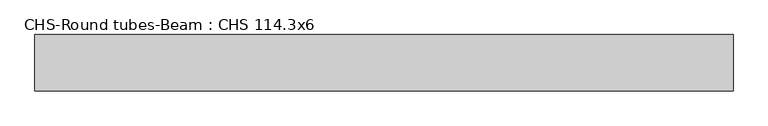
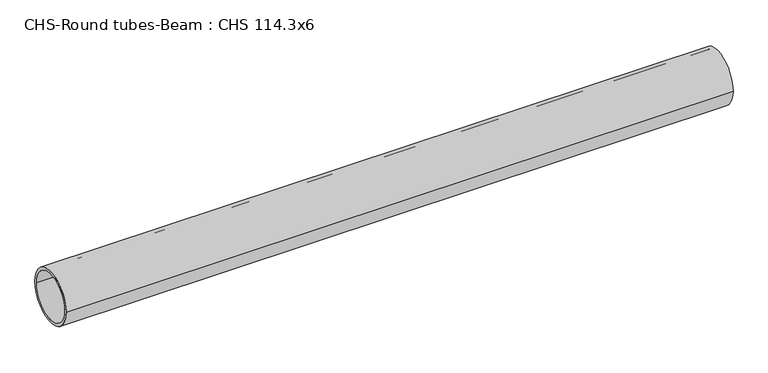
"""IFC4 building model written with IfcOpenShell, lengths in millimetres: beam geometry, CHS-Round tubes-Beam : CHS 114.3x6."""

import ifcopenshell
import ifcopenshell.guid

model = None  # the IFC model being written
_history = None  # IfcOwnerHistory: only IFC2X3 demands one
_inside = {}  # id of a spatial element -> (the spatial element, [elements in it])
_under = {}  # id of a project, library or spatial element -> (it, [spatial elements below it])
_declared = {}  # id of a project -> (the project, [libraries it declares])
_typed = {}  # id of a type object -> (the type object, [elements of that type])
_made_of = {}  # id of a material, layer set ... -> (it, [elements and type objects made of it])


def new_model(schema):
    """Start an empty IFC model of exactly this schema.

    Asked for "IFC4X3", IfcOpenShell would pick the latest addendum, in which some entities
    have other attributes; the version numbers below select the first issue.
    IFC2X3 requires an IfcOwnerHistory on every rooted entity: one is made here for all.
    """
    global model, _history
    if schema == "IFC4X3":
        model = ifcopenshell.file(schema_version=(4, 3, 0, 0))
    else:
        model = ifcopenshell.file(schema=schema)
    _inside.clear()
    _under.clear()
    _declared.clear()
    _typed.clear()
    _made_of.clear()
    _history = None
    if model.schema == "IFC2X3":
        org = make("IfcOrganization", Name="unknown")
        user = make(
            "IfcPersonAndOrganization",
            ThePerson=make("IfcPerson", FamilyName="unknown"),
            TheOrganization=org,
        )
        app = make(
            "IfcApplication",
            ApplicationDeveloper=org,
            Version="unknown",
            ApplicationFullName="unknown",
            ApplicationIdentifier="unknown",
        )
        _history = make(
            "IfcOwnerHistory",
            OwningUser=user,
            OwningApplication=app,
            ChangeAction="ADDED",
            CreationDate=0,
        )
    return model


def make(cls, **values):
    """One entity of the class cls with the attributes given. An attribute that is None is left unset."""
    return model.create_entity(
        cls, **{name: value for name, value in values.items() if value is not None}
    )


def rooted(cls, **values):
    """An entity with a GlobalId (a new one), such as an element, a storey or a relation."""
    return make(cls, GlobalId=ifcopenshell.guid.new(), OwnerHistory=_history, **values)


def si_unit(unit_type, name, prefix=None):
    """IfcSIUnit, for example si_unit("LENGTHUNIT", "METRE", prefix="MILLI")."""
    return make("IfcSIUnit", UnitType=unit_type, Prefix=prefix, Name=name)


def assignment(units):
    """IfcUnitAssignment: the units of a project."""
    return None if units is None else make("IfcUnitAssignment", Units=units)


def point(xyz):
    """IfcCartesianPoint."""
    return None if xyz is None else make("IfcCartesianPoint", Coordinates=xyz)


def direction(xyz):
    """IfcDirection."""
    return None if xyz is None else make("IfcDirection", DirectionRatios=xyz)


def frame(location, z_axis=None, x_axis=None):
    """IfcAxis2Placement3D, a coordinate frame: its origin and axes. An axis left out is left unset."""
    return make(
        "IfcAxis2Placement3D",
        Location=point(location),
        Axis=direction(z_axis),
        RefDirection=direction(x_axis),
    )


def frame_2d(location, x_axis=None):
    """IfcAxis2Placement2D, a coordinate frame in the plane: its origin and x axis."""
    return make(
        "IfcAxis2Placement2D", Location=point(location), RefDirection=direction(x_axis)
    )


def origin():
    """The frame at (0, 0, 0) with its axes left unset."""
    return frame((0.0, 0.0, 0.0))


def origin_2d():
    """The frame at (0, 0) in the plane with its x axis left unset."""
    return frame_2d((0.0, 0.0))


def place(relative_to, where):
    """IfcLocalPlacement: puts the frame where relative to a parent placement (None: the world)."""
    return make(
        "IfcLocalPlacement", PlacementRelTo=relative_to, RelativePlacement=where
    )


def context(
    kind, dimensions, precision=None, world=None, true_north=None, identifier=None
):
    """IfcGeometricRepresentationContext, for example the 3D "Model" context."""
    return make(
        "IfcGeometricRepresentationContext",
        ContextIdentifier=identifier,
        ContextType=kind,
        CoordinateSpaceDimension=dimensions,
        Precision=precision,
        WorldCoordinateSystem=world,
        TrueNorth=true_north,
    )


def project(units=None, contexts=None):
    """IfcProject with its units and contexts."""
    return rooted(
        "IfcProject",
        Name="project",
        RepresentationContexts=contexts,
        UnitsInContext=assignment(units),
    )


def spatial(cls, under=None, at=None, **own):
    """A site, building, storey or space (cls), placed at a placement, below another one or the project."""
    s = rooted(cls, ObjectPlacement=at, **own)
    if under is not None:
        _under.setdefault(under.id(), (under, []))[1].append(s)
    return s


def circle_curve(where, radius):
    """IfcCircle in the frame where."""
    return make("IfcCircle", Position=where, Radius=radius)


def trimmed(basis, trim1, trim2, sense, master):
    """IfcTrimmedCurve: the piece of a basis curve between two trims."""
    return make(
        "IfcTrimmedCurve",
        BasisCurve=basis,
        Trim1=trim1,
        Trim2=trim2,
        SenseAgreement=sense,
        MasterRepresentation=master,
    )


def segment(curve, same_sense, transition):
    """IfcCompositeCurveSegment."""
    return make(
        "IfcCompositeCurveSegment",
        Transition=transition,
        SameSense=same_sense,
        ParentCurve=curve,
    )


def composite_curve(segments, self_intersect=None):
    """IfcCompositeCurve: segments joined end to end."""
    return make("IfcCompositeCurve", Segments=segments, SelfIntersect=self_intersect)


def outline(outer, holes=None, kind="AREA"):
    """IfcArbitraryClosedProfileDef: a profile drawn as a closed curve; with holes, ...WithVoids."""
    if holes is None:
        return make("IfcArbitraryClosedProfileDef", ProfileType=kind, OuterCurve=outer)
    return make(
        "IfcArbitraryProfileDefWithVoids",
        ProfileType=kind,
        OuterCurve=outer,
        InnerCurves=holes,
    )


def extrude(swept, where, along, depth):
    """IfcExtrudedAreaSolid: the profile swept, set in the frame where, extruded along a direction by depth."""
    return make(
        "IfcExtrudedAreaSolid",
        SweptArea=swept,
        Position=where,
        ExtrudedDirection=direction(along),
        Depth=depth,
    )


def shape(context_of_items, identifier, shape_type, items):
    """IfcShapeRepresentation: the items that make up one representation, for example the "Body"."""
    return make(
        "IfcShapeRepresentation",
        ContextOfItems=context_of_items,
        RepresentationIdentifier=identifier,
        RepresentationType=shape_type,
        Items=items,
    )


def source(mapping_origin, context_of_items, identifier, shape_type, items):
    """IfcRepresentationMap: a shape defined once, which mapped items show again and again."""
    return make(
        "IfcRepresentationMap",
        MappingOrigin=mapping_origin,
        MappedRepresentation=shape(context_of_items, identifier, shape_type, items),
    )


def transform(
    local_origin,
    x_axis=None,
    y_axis=None,
    z_axis=None,
    scale=None,
    scale2=None,
    scale3=None,
    uniform=True,
):
    """IfcCartesianTransformationOperator3D, or its non-uniform kind. x_axis, y_axis, z_axis: its Axis1, 2, 3."""
    if uniform:
        return make(
            "IfcCartesianTransformationOperator3D",
            Axis1=direction(x_axis),
            Axis2=direction(y_axis),
            LocalOrigin=point(local_origin),
            Scale=scale,
            Axis3=direction(z_axis),
        )
    return make(
        "IfcCartesianTransformationOperator3DnonUniform",
        Axis1=direction(x_axis),
        Axis2=direction(y_axis),
        LocalOrigin=point(local_origin),
        Scale=scale,
        Axis3=direction(z_axis),
        Scale2=scale2,
        Scale3=scale3,
    )


def mapped(mapping_source, mapping_target):
    """IfcMappedItem: shows the shape of a source again, moved by a transform."""
    return make(
        "IfcMappedItem", MappingSource=mapping_source, MappingTarget=mapping_target
    )


def made_of(thing, what):
    """Note that an element or type object is made of a material, layer set ...; save() writes the relation."""
    if what is not None:
        _made_of.setdefault(what.id(), (what, []))[1].append(thing)
    return thing


def element(
    cls,
    number,
    at=None,
    inside=None,
    cuts=None,
    type_object=None,
    material=None,
    context=None,
    identifier="Body",
    shape_type=None,
    held_by="IfcProductDefinitionShape",
    body=None,
    shapes=None,
    **own,
):
    """One element of the class cls, such as IfcWall. Its Tag is "e" and its number.

    at: its placement. inside: the storey or other place that contains it. cuts: it is an
    opening in that element (IfcRelVoidsElement). A single representation is given by context,
    identifier, shape_type and body (its items); several are given by shapes. held_by: the class
    of the entity that holds the representations. save() writes the other relations.
    """
    e = rooted(cls, Tag="e%d" % number, ObjectPlacement=at, **own)
    if body is not None:
        shapes = [shape(context, identifier, shape_type, body)]
    if shapes is not None:
        e.Representation = make(held_by, Representations=shapes)
    if inside is not None:
        _inside.setdefault(inside.id(), (inside, []))[1].append(e)
    if cuts is not None:
        rooted(
            "IfcRelVoidsElement", RelatingBuildingElement=cuts, RelatedOpeningElement=e
        )
    if type_object is not None:
        _typed.setdefault(type_object.id(), (type_object, []))[1].append(e)
    return made_of(e, material)


def aggregate(whole, parts):
    """IfcRelAggregates: a whole, such as a stair, and the parts it consists of."""
    return rooted("IfcRelAggregates", RelatingObject=whole, RelatedObjects=parts)


def save(model, path):
    """Write the relations noted so far, then the file.

    IfcRelAggregates (storeys below a building ...), IfcRelContainedInSpatialStructure (elements
    in a storey), IfcRelDefinesByType, IfcRelAssociatesMaterial and IfcRelDeclares: one each for
    every whole, place, type object, material and project.
    """
    for whole, parts in _under.values():
        aggregate(whole, parts)
    for where, things in _inside.values():
        rooted(
            "IfcRelContainedInSpatialStructure",
            RelatedElements=things,
            RelatingStructure=where,
        )
    for kind, things in _typed.values():
        rooted("IfcRelDefinesByType", RelatedObjects=things, RelatingType=kind)
    for what, things in _made_of.values():
        rooted("IfcRelAssociatesMaterial", RelatedObjects=things, RelatingMaterial=what)
    for by, libraries in _declared.values():
        rooted("IfcRelDeclares", RelatingContext=by, RelatedDefinitions=libraries)
    model.write(path)


def chs_round_tubes_beam_chs_114_3x6_6a9107e6(model_context):
    return source(origin(), model_context, "Body", "SweptSolid", [
        extrude(outline(composite_curve([segment(trimmed(circle_curve(origin_2d(), 57.15), [point((57.15, 0.0))], [point((-57.15, 0.0))], False, "CARTESIAN"), True, "CONTINUOUS"), segment(trimmed(circle_curve(origin_2d(), 57.15), [point((-57.15, 0.0))], [point((57.15, 0.0))], False, "CARTESIAN"), True, "CONTINUOUS")], self_intersect=False), holes=[composite_curve([segment(trimmed(circle_curve(origin_2d(), 51.15), [point((51.15, 0.0))], [point((-51.15, 0.0))], True, "CARTESIAN"), True, "CONTINUOUS"), segment(trimmed(circle_curve(origin_2d(), 51.15), [point((-51.15, 0.0))], [point((51.15, 0.0))], True, "CARTESIAN"), True, "CONTINUOUS")], self_intersect=False)]), frame((-703.0433541, 0.0, 0.0), z_axis=(1.0, 0.0, 0.0), x_axis=(0.0, 1.0, 0.0)), (0.0, 0.0, 1.0), 1414.8843169),
    ])


if __name__ == "__main__":
    model = new_model("IFC4")
    model_context = context("Model", 3, world=origin())
    ifc_project = project(units=[si_unit("LENGTHUNIT", "METRE", prefix="MILLI")], contexts=[model_context])
    site = spatial("IfcSite", under=ifc_project)
    building = spatial("IfcBuilding", under=site)
    placement = place(None, origin())
    chs_round_tubes_beam_chs_114_3x6_shape = chs_round_tubes_beam_chs_114_3x6_6a9107e6(model_context)
    element("IfcBeam", 1, ObjectType="CHS-Round tubes-Beam : CHS 114.3x6", at=placement, inside=building, context=model_context, shape_type="MappedRepresentation", body=[
        mapped(chs_round_tubes_beam_chs_114_3x6_shape, transform((0.0, 0.0, 0.0), x_axis=(1.0, 0.0, 0.0), y_axis=(0.0, 1.0, 0.0), z_axis=(0.0, 0.0, 1.0))),
    ])
    save(model, "model.ifc")
